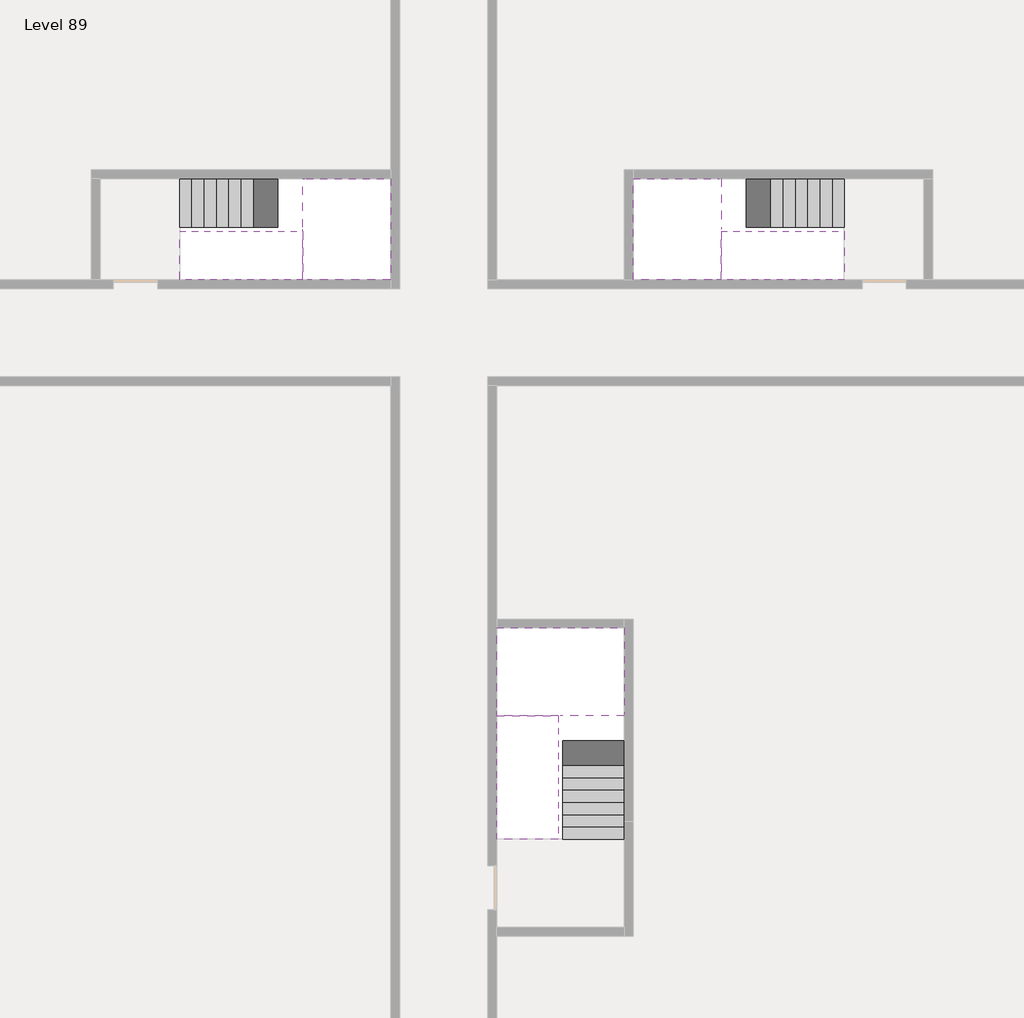
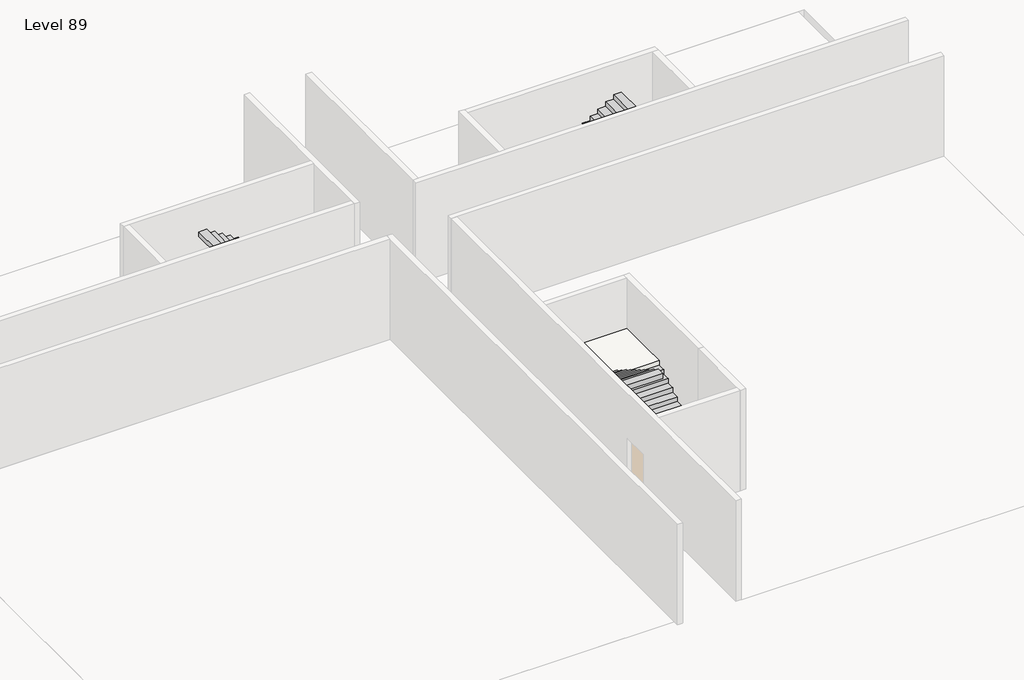
# One storey, part 2 of 2: 6 stair flights, 3 slabs.
"""IFC4 building model written with IfcOpenShell, lengths in millimetres."""

from ifc_helpers import new_model, si_unit, origin, place, context, project, spatial, faceted_brep, element, save

model = new_model("IFC4")

# Units and contexts
model_context = context("Model", 3, world=origin())
ifc_project = project(units=[si_unit("LENGTHUNIT", "METRE", prefix="MILLI")], contexts=[model_context])

# Site, building, storey
site = spatial("IfcSite", under=ifc_project)
building = spatial("IfcBuilding", under=site)
storey = spatial("IfcBuildingStorey", under=building, Name="Level 89", Elevation=334400.0)

# Slabs
placement = place(None, origin())
element("IfcSlab", 1, at=placement, inside=storey, context=model_context, shape_type="Brep", body=[
    faceted_brep([(26890.1058784, -40418.09644, 336300.0), (28290.1058784, -40418.09644, 336300.0), (28290.1058784, -40338.7100038, 336300.0), (28290.1058784, -38418.09644, 336300.0), (25390.1058784, -38418.09644, 336300.0), (25390.1058784, -40217.4828763, 336300.0), (25390.1058784, -40418.09644, 336300.0), (26790.1058784, -40418.09644, 336300.0), (26890.1058784, -40418.09644, 336000.0), (26890.1058784, -40418.09644, 335951.0278478), (28290.1058784, -40418.09644, 335951.0278478), (28290.1058784, -40418.09644, 336127.2727273), (28290.1058784, -40338.7100038, 336000.0), (28290.1058784, -38418.09644, 336000.0), (25390.1058784, -38418.09644, 336000.0), (25390.1058784, -40217.4828763, 336000.0), (25390.1058784, -40418.09644, 336123.7551205), (26790.1058784, -40418.09644, 336123.7551205), (26790.1058784, -40418.09644, 336000.0), (26790.1058784, -40217.4828763, 336000.0), (26890.1058784, -40338.7100038, 336000.0)], [[[0, 1, 2, 3, 4, 5, 6, 7]], [[1, 0, 8, 9, 10, 11]], [[1, 11, 10, 12, 13, 3, 2]], [[4, 3, 13, 14]], [[4, 14, 15, 16, 6, 5]], [[7, 6, 16, 17]], [[0, 7, 17, 18, 8]], [[18, 19, 15, 14, 13, 12, 20, 8]], [[19, 18, 17]], [[20, 12, 10, 9]], [[8, 20, 9]], [[15, 19, 17, 16]]]),
])
element("IfcSlab", 2, at=placement, inside=storey, context=model_context, shape_type="Brep", body=[
    faceted_brep([(20990.1058784, -28218.09644, 336300.0), (20990.1058784, -29318.09644, 336300.0), (20990.1058784, -29418.09644, 336300.0), (20990.1058784, -30518.09644, 336300.0), (21190.7194421, -30518.09644, 336300.0), (22990.1058784, -30518.09644, 336300.0), (22990.1058784, -28218.09644, 336300.0), (21069.4923146, -28218.09644, 336300.0), (20990.1058784, -28218.09644, 336127.2727273), (20990.1058784, -28218.09644, 335951.0278478), (20990.1058784, -29318.09644, 335951.0278478), (20990.1058784, -29318.09644, 336000.0), (20990.1058784, -29418.09644, 336000.0), (20990.1058784, -29418.09644, 336123.7551205), (20990.1058784, -30518.09644, 336123.7551205), (21190.7194421, -30518.09644, 336000.0), (22990.1058784, -30518.09644, 336000.0), (22990.1058784, -28218.09644, 336000.0), (21069.4923146, -28218.09644, 336000.0), (21190.7194421, -29418.09644, 336000.0), (21069.4923146, -29318.09644, 336000.0)], [[[0, 1, 2, 3, 4, 5, 6, 7]], [[1, 0, 8, 9, 10, 11]], [[2, 1, 11, 12, 13]], [[3, 2, 13, 14]], [[3, 14, 15, 16, 5, 4]], [[6, 5, 16, 17]], [[9, 8, 0, 7, 6, 17, 18]], [[19, 12, 11, 20, 18, 17, 16, 15]], [[12, 19, 13]], [[18, 20, 10, 9]], [[20, 11, 10]], [[19, 15, 14, 13]]]),
])
element("IfcSlab", 3, at=placement, inside=storey, context=model_context, shape_type="Brep", body=[
    faceted_brep([(30490.1058784, -29318.09644, 336300.0), (30490.1058784, -28218.09644, 336300.0), (30410.7194421, -28218.09644, 336300.0), (28490.1058784, -28218.09644, 336300.0), (28490.1058784, -30518.09644, 336300.0), (30289.4923146, -30518.09644, 336300.0), (30490.1058784, -30518.09644, 336300.0), (30490.1058784, -29418.09644, 336300.0), (30490.1058784, -29318.09644, 336000.0), (30490.1058784, -29318.09644, 335951.0278478), (30490.1058784, -28218.09644, 335951.0278478), (30490.1058784, -28218.09644, 336127.2727273), (30490.1058784, -29418.09644, 336123.7551205), (30490.1058784, -29418.09644, 336000.0), (30490.1058784, -30518.09644, 336123.7551205), (28490.1058784, -30518.09644, 336000.0), (30289.4923146, -30518.09644, 336000.0), (28490.1058784, -28218.09644, 336000.0), (30410.7194421, -28218.09644, 336000.0), (30289.4923146, -29418.09644, 336000.0), (30410.7194421, -29318.09644, 336000.0)], [[[0, 1, 2, 3, 4, 5, 6, 7]], [[1, 0, 8, 9, 10, 11]], [[0, 7, 12, 13, 8]], [[7, 6, 14, 12]], [[4, 15, 16, 14, 6, 5]], [[4, 3, 17, 15]], [[1, 11, 10, 18, 17, 3, 2]], [[13, 19, 16, 15, 17, 18, 20, 8]], [[20, 18, 10, 9]], [[8, 20, 9]], [[16, 19, 12, 14]], [[19, 13, 12]]]),
])

# Stair flights
element("IfcStairFlight", 4, at=placement, inside=storey, context=model_context, shape_type="Brep", body=[
    faceted_brep([(26890.1058784, -42938.09644, 334572.7272727), (26890.1058784, -43218.09644, 334572.7272727), (28290.1058784, -43218.09644, 334572.7272727), (28290.1058784, -42938.09644, 334572.7272727), (26890.1058784, -42938.09644, 334400.0), (26890.1058784, -43218.09644, 334400.0), (28290.1058784, -43218.09644, 334400.0), (28290.1058784, -42938.09644, 334400.0), (26890.1058784, -42658.09644, 334745.4545455), (26890.1058784, -42938.09644, 334745.4545455), (28290.1058784, -42938.09644, 334745.4545455), (28290.1058784, -42658.09644, 334745.4545455), (26890.1058784, -42658.09644, 334569.209666), (26890.1058784, -42932.3942143, 334400.0), (28290.1058784, -42932.3942143, 334400.0), (28290.1058784, -42658.09644, 334569.209666), (26890.1058784, -42378.09644, 334918.1818182), (26890.1058784, -42658.09644, 334918.1818182), (28290.1058784, -42658.09644, 334918.1818182), (28290.1058784, -42378.09644, 334918.1818182), (26890.1058784, -42378.09644, 334741.9369387), (28290.1058784, -42378.09644, 334741.9369387), (26890.1058784, -42098.09644, 335090.9090909), (26890.1058784, -42378.09644, 335090.9090909), (28290.1058784, -42378.09644, 335090.9090909), (28290.1058784, -42098.09644, 335090.9090909), (26890.1058784, -42098.09644, 334914.6642114), (28290.1058784, -42098.09644, 334914.6642114), (26890.1058784, -41818.09644, 335263.6363636), (26890.1058784, -42098.09644, 335263.6363636), (28290.1058784, -42098.09644, 335263.6363636), (28290.1058784, -41818.09644, 335263.6363636), (26890.1058784, -41818.09644, 335087.3914841), (28290.1058784, -41818.09644, 335087.3914841), (26890.1058784, -41538.09644, 335436.3636364), (26890.1058784, -41818.09644, 335436.3636364), (28290.1058784, -41818.09644, 335436.3636364), (28290.1058784, -41538.09644, 335436.3636364), (26890.1058784, -41538.09644, 335260.1187569), (28290.1058784, -41538.09644, 335260.1187569), (26890.1058784, -41258.09644, 335609.0909091), (26890.1058784, -41538.09644, 335609.0909091), (28290.1058784, -41538.09644, 335609.0909091), (28290.1058784, -41258.09644, 335609.0909091), (26890.1058784, -41258.09644, 335432.8460296), (28290.1058784, -41258.09644, 335432.8460296), (26890.1058784, -40978.09644, 335781.8181818), (26890.1058784, -41258.09644, 335781.8181818), (28290.1058784, -41258.09644, 335781.8181818), (28290.1058784, -40978.09644, 335781.8181818), (26890.1058784, -40978.09644, 335605.5733023), (28290.1058784, -40978.09644, 335605.5733023), (26890.1058784, -40698.09644, 335954.5454545), (26890.1058784, -40978.09644, 335954.5454545), (28290.1058784, -40978.09644, 335954.5454545), (28290.1058784, -40698.09644, 335954.5454545), (26890.1058784, -40698.09644, 335778.3005751), (28290.1058784, -40698.09644, 335778.3005751), (26890.1058784, -40418.09644, 336127.2727273), (26890.1058784, -40698.09644, 336127.2727273), (28290.1058784, -40698.09644, 336127.2727273), (28290.1058784, -40418.09644, 336127.2727273), (26890.1058784, -40418.09644, 336000.0), (26890.1058784, -40418.09644, 335951.0278478), (28290.1058784, -40418.09644, 335951.0278478)], [[[0, 1, 2, 3]], [[1, 0, 4, 5]], [[2, 1, 5, 6]], [[3, 2, 6, 7]], [[8, 9, 10, 11]], [[4, 0, 9, 8, 12, 13]], [[0, 3, 10, 9]], [[3, 7, 14, 15, 11, 10]], [[16, 17, 18, 19]], [[17, 16, 20, 12, 8]], [[8, 11, 18, 17]], [[19, 18, 11, 15, 21]], [[22, 23, 24, 25]], [[23, 22, 26, 20, 16]], [[16, 19, 24, 23]], [[25, 24, 19, 21, 27]], [[28, 29, 30, 31]], [[29, 28, 32, 26, 22]], [[22, 25, 30, 29]], [[31, 30, 25, 27, 33]], [[34, 35, 36, 37]], [[35, 34, 38, 32, 28]], [[28, 31, 36, 35]], [[37, 36, 31, 33, 39]], [[40, 41, 42, 43]], [[41, 40, 44, 38, 34]], [[34, 37, 42, 41]], [[43, 42, 37, 39, 45]], [[46, 47, 48, 49]], [[47, 46, 50, 44, 40]], [[40, 43, 48, 47]], [[49, 48, 43, 45, 51]], [[52, 53, 54, 55]], [[53, 52, 56, 50, 46]], [[46, 49, 54, 53]], [[55, 54, 49, 51, 57]], [[58, 59, 60, 61]], [[59, 58, 62, 63, 56, 52]], [[52, 55, 60, 59]], [[61, 60, 55, 57, 64]], [[58, 61, 64, 63, 62]], [[5, 4, 13, 14, 7, 6]], [[14, 13, 12, 20, 26, 32, 38, 44, 50, 56, 63, 64, 57, 51, 45, 39, 33, 27, 21, 15]]]),
])
element("IfcStairFlight", 5, at=placement, inside=storey, context=model_context, shape_type="Brep", body=[
    faceted_brep([(26790.1058784, -40698.09644, 336472.7272727), (26790.1058784, -40418.09644, 336472.7272727), (25390.1058784, -40418.09644, 336472.7272727), (25390.1058784, -40698.09644, 336472.7272727), (26790.1058784, -40698.09644, 336296.4823932), (26790.1058784, -40418.09644, 336123.7551205), (25390.1058784, -40418.09644, 336123.7551205), (25390.1058784, -40418.09644, 336300.0), (25390.1058784, -40698.09644, 336296.4823932), (26790.1058784, -40978.09644, 336645.4545455), (26790.1058784, -40698.09644, 336645.4545455), (25390.1058784, -40698.09644, 336645.4545455), (25390.1058784, -40978.09644, 336645.4545455), (26790.1058784, -40978.09644, 336469.209666), (25390.1058784, -40978.09644, 336469.209666), (26790.1058784, -41258.09644, 336818.1818182), (26790.1058784, -40978.09644, 336818.1818182), (25390.1058784, -40978.09644, 336818.1818182), (25390.1058784, -41258.09644, 336818.1818182), (26790.1058784, -41258.09644, 336641.9369387), (25390.1058784, -41258.09644, 336641.9369387), (26790.1058784, -41538.09644, 336990.9090909), (26790.1058784, -41258.09644, 336990.9090909), (25390.1058784, -41258.09644, 336990.9090909), (25390.1058784, -41538.09644, 336990.9090909), (26790.1058784, -41538.09644, 336814.6642114), (25390.1058784, -41538.09644, 336814.6642114), (26790.1058784, -41818.09644, 337163.6363636), (26790.1058784, -41538.09644, 337163.6363636), (25390.1058784, -41538.09644, 337163.6363636), (25390.1058784, -41818.09644, 337163.6363636), (26790.1058784, -41818.09644, 336987.3914841), (25390.1058784, -41818.09644, 336987.3914841), (26790.1058784, -42098.09644, 337336.3636364), (26790.1058784, -41818.09644, 337336.3636364), (25390.1058784, -41818.09644, 337336.3636364), (25390.1058784, -42098.09644, 337336.3636364), (26790.1058784, -42098.09644, 337160.1187569), (25390.1058784, -42098.09644, 337160.1187569), (26790.1058784, -42378.09644, 337509.0909091), (26790.1058784, -42098.09644, 337509.0909091), (25390.1058784, -42098.09644, 337509.0909091), (25390.1058784, -42378.09644, 337509.0909091), (26790.1058784, -42378.09644, 337332.8460296), (25390.1058784, -42378.09644, 337332.8460296), (26790.1058784, -42658.09644, 337681.8181818), (26790.1058784, -42378.09644, 337681.8181818), (25390.1058784, -42378.09644, 337681.8181818), (25390.1058784, -42658.09644, 337681.8181818), (26790.1058784, -42658.09644, 337505.5733023), (25390.1058784, -42658.09644, 337505.5733023), (26790.1058784, -42938.09644, 337854.5454545), (26790.1058784, -42658.09644, 337854.5454545), (25390.1058784, -42658.09644, 337854.5454545), (25390.1058784, -42938.09644, 337854.5454545), (26790.1058784, -42938.09644, 337678.3005751), (25390.1058784, -42938.09644, 337678.3005751), (26790.1058784, -43218.09644, 338027.2727273), (26790.1058784, -42938.09644, 338027.2727273), (25390.1058784, -42938.09644, 338027.2727273), (25390.1058784, -43218.09644, 338027.2727273), (26790.1058784, -43218.09644, 337851.0278478), (25390.1058784, -43218.09644, 337851.0278478)], [[[0, 1, 2, 3]], [[1, 0, 4, 5]], [[2, 1, 5, 6, 7]], [[3, 2, 7, 6, 8]], [[9, 10, 11, 12]], [[10, 9, 13, 4, 0]], [[11, 10, 0, 3]], [[12, 11, 3, 8, 14]], [[15, 16, 17, 18]], [[16, 15, 19, 13, 9]], [[17, 16, 9, 12]], [[18, 17, 12, 14, 20]], [[21, 22, 23, 24]], [[22, 21, 25, 19, 15]], [[23, 22, 15, 18]], [[24, 23, 18, 20, 26]], [[27, 28, 29, 30]], [[28, 27, 31, 25, 21]], [[29, 28, 21, 24]], [[30, 29, 24, 26, 32]], [[33, 34, 35, 36]], [[34, 33, 37, 31, 27]], [[35, 34, 27, 30]], [[36, 35, 30, 32, 38]], [[39, 40, 41, 42]], [[40, 39, 43, 37, 33]], [[41, 40, 33, 36]], [[42, 41, 36, 38, 44]], [[45, 46, 47, 48]], [[46, 45, 49, 43, 39]], [[47, 46, 39, 42]], [[48, 47, 42, 44, 50]], [[51, 52, 53, 54]], [[52, 51, 55, 49, 45]], [[53, 52, 45, 48]], [[54, 53, 48, 50, 56]], [[57, 58, 59, 60]], [[58, 57, 61, 55, 51]], [[59, 58, 51, 54]], [[60, 59, 54, 56, 62]], [[57, 60, 62, 61]], [[5, 4, 13, 19, 25, 31, 37, 43, 49, 55, 61, 62, 56, 50, 44, 38, 32, 26, 20, 14, 8, 6]]]),
])
element("IfcStairFlight", 6, at=placement, inside=storey, context=model_context, shape_type="Brep", body=[
    faceted_brep([(18470.1058784, -28218.09644, 334572.7272727), (18190.1058784, -28218.09644, 334572.7272727), (18190.1058784, -29318.09644, 334572.7272727), (18470.1058784, -29318.09644, 334572.7272727), (18470.1058784, -28218.09644, 334400.0), (18190.1058784, -28218.09644, 334400.0), (18190.1058784, -29318.09644, 334400.0), (18470.1058784, -29318.09644, 334400.0), (18750.1058784, -28218.09644, 334745.4545455), (18470.1058784, -28218.09644, 334745.4545455), (18470.1058784, -29318.09644, 334745.4545455), (18750.1058784, -29318.09644, 334745.4545455), (18750.1058784, -28218.09644, 334569.209666), (18475.8081041, -28218.09644, 334400.0), (18475.8081041, -29318.09644, 334400.0), (18750.1058784, -29318.09644, 334569.209666), (19030.1058784, -28218.09644, 334918.1818182), (18750.1058784, -28218.09644, 334918.1818182), (18750.1058784, -29318.09644, 334918.1818182), (19030.1058784, -29318.09644, 334918.1818182), (19030.1058784, -28218.09644, 334741.9369387), (19030.1058784, -29318.09644, 334741.9369387), (19310.1058784, -28218.09644, 335090.9090909), (19030.1058784, -28218.09644, 335090.9090909), (19030.1058784, -29318.09644, 335090.9090909), (19310.1058784, -29318.09644, 335090.9090909), (19310.1058784, -28218.09644, 334914.6642114), (19310.1058784, -29318.09644, 334914.6642114), (19590.1058784, -28218.09644, 335263.6363636), (19310.1058784, -28218.09644, 335263.6363636), (19310.1058784, -29318.09644, 335263.6363636), (19590.1058784, -29318.09644, 335263.6363636), (19590.1058784, -28218.09644, 335087.3914841), (19590.1058784, -29318.09644, 335087.3914841), (19870.1058784, -28218.09644, 335436.3636364), (19590.1058784, -28218.09644, 335436.3636364), (19590.1058784, -29318.09644, 335436.3636364), (19870.1058784, -29318.09644, 335436.3636364), (19870.1058784, -28218.09644, 335260.1187569), (19870.1058784, -29318.09644, 335260.1187569), (20150.1058784, -28218.09644, 335609.0909091), (19870.1058784, -28218.09644, 335609.0909091), (19870.1058784, -29318.09644, 335609.0909091), (20150.1058784, -29318.09644, 335609.0909091), (20150.1058784, -28218.09644, 335432.8460296), (20150.1058784, -29318.09644, 335432.8460296), (20430.1058784, -28218.09644, 335781.8181818), (20150.1058784, -28218.09644, 335781.8181818), (20150.1058784, -29318.09644, 335781.8181818), (20430.1058784, -29318.09644, 335781.8181818), (20430.1058784, -28218.09644, 335605.5733023), (20430.1058784, -29318.09644, 335605.5733023), (20710.1058784, -28218.09644, 335954.5454545), (20430.1058784, -28218.09644, 335954.5454545), (20430.1058784, -29318.09644, 335954.5454545), (20710.1058784, -29318.09644, 335954.5454545), (20710.1058784, -28218.09644, 335778.3005751), (20710.1058784, -29318.09644, 335778.3005751), (20990.1058784, -28218.09644, 336127.2727273), (20710.1058784, -28218.09644, 336127.2727273), (20710.1058784, -29318.09644, 336127.2727273), (20990.1058784, -29318.09644, 336127.2727273), (20990.1058784, -28218.09644, 335951.0278478), (20990.1058784, -29318.09644, 335951.0278478), (20990.1058784, -29318.09644, 336000.0)], [[[0, 1, 2, 3]], [[1, 0, 4, 5]], [[2, 1, 5, 6]], [[3, 2, 6, 7]], [[8, 9, 10, 11]], [[4, 0, 9, 8, 12, 13]], [[0, 3, 10, 9]], [[3, 7, 14, 15, 11, 10]], [[16, 17, 18, 19]], [[17, 16, 20, 12, 8]], [[8, 11, 18, 17]], [[19, 18, 11, 15, 21]], [[22, 23, 24, 25]], [[23, 22, 26, 20, 16]], [[16, 19, 24, 23]], [[25, 24, 19, 21, 27]], [[28, 29, 30, 31]], [[29, 28, 32, 26, 22]], [[22, 25, 30, 29]], [[31, 30, 25, 27, 33]], [[34, 35, 36, 37]], [[35, 34, 38, 32, 28]], [[28, 31, 36, 35]], [[37, 36, 31, 33, 39]], [[40, 41, 42, 43]], [[41, 40, 44, 38, 34]], [[34, 37, 42, 41]], [[43, 42, 37, 39, 45]], [[46, 47, 48, 49]], [[47, 46, 50, 44, 40]], [[40, 43, 48, 47]], [[49, 48, 43, 45, 51]], [[52, 53, 54, 55]], [[53, 52, 56, 50, 46]], [[46, 49, 54, 53]], [[55, 54, 49, 51, 57]], [[58, 59, 60, 61]], [[59, 58, 62, 56, 52]], [[52, 55, 60, 59]], [[61, 60, 55, 57, 63, 64]], [[58, 61, 64, 63, 62]], [[5, 4, 13, 14, 7, 6]], [[14, 13, 12, 20, 26, 32, 38, 44, 50, 56, 62, 63, 57, 51, 45, 39, 33, 27, 21, 15]]]),
])
element("IfcStairFlight", 7, at=placement, inside=storey, context=model_context, shape_type="Brep", body=[
    faceted_brep([(20710.1058784, -30518.09644, 336472.7272727), (20990.1058784, -30518.09644, 336472.7272727), (20990.1058784, -29418.09644, 336472.7272727), (20710.1058784, -29418.09644, 336472.7272727), (20710.1058784, -30518.09644, 336296.4823932), (20990.1058784, -30518.09644, 336123.7551205), (20990.1058784, -30518.09644, 336300.0), (20990.1058784, -29418.09644, 336123.7551205), (20710.1058784, -29418.09644, 336296.4823932), (20430.1058784, -30518.09644, 336645.4545455), (20710.1058784, -30518.09644, 336645.4545455), (20710.1058784, -29418.09644, 336645.4545455), (20430.1058784, -29418.09644, 336645.4545455), (20430.1058784, -30518.09644, 336469.209666), (20430.1058784, -29418.09644, 336469.209666), (20150.1058784, -30518.09644, 336818.1818182), (20430.1058784, -30518.09644, 336818.1818182), (20430.1058784, -29418.09644, 336818.1818182), (20150.1058784, -29418.09644, 336818.1818182), (20150.1058784, -30518.09644, 336641.9369387), (20150.1058784, -29418.09644, 336641.9369387), (19870.1058784, -30518.09644, 336990.9090909), (20150.1058784, -30518.09644, 336990.9090909), (20150.1058784, -29418.09644, 336990.9090909), (19870.1058784, -29418.09644, 336990.9090909), (19870.1058784, -30518.09644, 336814.6642114), (19870.1058784, -29418.09644, 336814.6642114), (19590.1058784, -30518.09644, 337163.6363636), (19870.1058784, -30518.09644, 337163.6363636), (19870.1058784, -29418.09644, 337163.6363636), (19590.1058784, -29418.09644, 337163.6363636), (19590.1058784, -30518.09644, 336987.3914841), (19590.1058784, -29418.09644, 336987.3914841), (19310.1058784, -30518.09644, 337336.3636364), (19590.1058784, -30518.09644, 337336.3636364), (19590.1058784, -29418.09644, 337336.3636364), (19310.1058784, -29418.09644, 337336.3636364), (19310.1058784, -30518.09644, 337160.1187569), (19310.1058784, -29418.09644, 337160.1187569), (19030.1058784, -30518.09644, 337509.0909091), (19310.1058784, -30518.09644, 337509.0909091), (19310.1058784, -29418.09644, 337509.0909091), (19030.1058784, -29418.09644, 337509.0909091), (19030.1058784, -30518.09644, 337332.8460296), (19030.1058784, -29418.09644, 337332.8460296), (18750.1058784, -30518.09644, 337681.8181818), (19030.1058784, -30518.09644, 337681.8181818), (19030.1058784, -29418.09644, 337681.8181818), (18750.1058784, -29418.09644, 337681.8181818), (18750.1058784, -30518.09644, 337505.5733023), (18750.1058784, -29418.09644, 337505.5733023), (18470.1058784, -30518.09644, 337854.5454545), (18750.1058784, -30518.09644, 337854.5454545), (18750.1058784, -29418.09644, 337854.5454545), (18470.1058784, -29418.09644, 337854.5454545), (18470.1058784, -30518.09644, 337678.3005751), (18470.1058784, -29418.09644, 337678.3005751), (18190.1058784, -30518.09644, 338027.2727273), (18470.1058784, -30518.09644, 338027.2727273), (18470.1058784, -29418.09644, 338027.2727273), (18190.1058784, -29418.09644, 338027.2727273), (18190.1058784, -30518.09644, 337851.0278478), (18190.1058784, -29418.09644, 337851.0278478)], [[[0, 1, 2, 3]], [[1, 0, 4, 5, 6]], [[2, 1, 6, 5, 7]], [[3, 2, 7, 8]], [[9, 10, 11, 12]], [[10, 9, 13, 4, 0]], [[11, 10, 0, 3]], [[12, 11, 3, 8, 14]], [[15, 16, 17, 18]], [[16, 15, 19, 13, 9]], [[17, 16, 9, 12]], [[18, 17, 12, 14, 20]], [[21, 22, 23, 24]], [[22, 21, 25, 19, 15]], [[23, 22, 15, 18]], [[24, 23, 18, 20, 26]], [[27, 28, 29, 30]], [[28, 27, 31, 25, 21]], [[29, 28, 21, 24]], [[30, 29, 24, 26, 32]], [[33, 34, 35, 36]], [[34, 33, 37, 31, 27]], [[35, 34, 27, 30]], [[36, 35, 30, 32, 38]], [[39, 40, 41, 42]], [[40, 39, 43, 37, 33]], [[41, 40, 33, 36]], [[42, 41, 36, 38, 44]], [[45, 46, 47, 48]], [[46, 45, 49, 43, 39]], [[47, 46, 39, 42]], [[48, 47, 42, 44, 50]], [[51, 52, 53, 54]], [[52, 51, 55, 49, 45]], [[53, 52, 45, 48]], [[54, 53, 48, 50, 56]], [[57, 58, 59, 60]], [[58, 57, 61, 55, 51]], [[59, 58, 51, 54]], [[60, 59, 54, 56, 62]], [[57, 60, 62, 61]], [[5, 4, 13, 19, 25, 31, 37, 43, 49, 55, 61, 62, 56, 50, 44, 38, 32, 26, 20, 14, 8, 7]]]),
])
element("IfcStairFlight", 8, at=placement, inside=storey, context=model_context, shape_type="Brep", body=[
    faceted_brep([(33010.1058784, -29318.09644, 334572.7272727), (33290.1058784, -29318.09644, 334572.7272727), (33290.1058784, -28218.09644, 334572.7272727), (33010.1058784, -28218.09644, 334572.7272727), (33290.1058784, -28218.09644, 334400.0), (33010.1058784, -28218.09644, 334400.0), (33290.1058784, -29318.09644, 334400.0), (33010.1058784, -29318.09644, 334400.0), (32730.1058784, -29318.09644, 334745.4545455), (33010.1058784, -29318.09644, 334745.4545455), (33010.1058784, -28218.09644, 334745.4545455), (32730.1058784, -28218.09644, 334745.4545455), (33004.4036527, -28218.09644, 334400.0), (32730.1058784, -28218.09644, 334569.209666), (32730.1058784, -29318.09644, 334569.209666), (33004.4036527, -29318.09644, 334400.0), (32450.1058784, -29318.09644, 334918.1818182), (32730.1058784, -29318.09644, 334918.1818182), (32730.1058784, -28218.09644, 334918.1818182), (32450.1058784, -28218.09644, 334918.1818182), (32450.1058784, -28218.09644, 334741.9369387), (32450.1058784, -29318.09644, 334741.9369387), (32170.1058784, -29318.09644, 335090.9090909), (32450.1058784, -29318.09644, 335090.9090909), (32450.1058784, -28218.09644, 335090.9090909), (32170.1058784, -28218.09644, 335090.9090909), (32170.1058784, -28218.09644, 334914.6642114), (32170.1058784, -29318.09644, 334914.6642114), (31890.1058784, -29318.09644, 335263.6363636), (32170.1058784, -29318.09644, 335263.6363636), (32170.1058784, -28218.09644, 335263.6363636), (31890.1058784, -28218.09644, 335263.6363636), (31890.1058784, -28218.09644, 335087.3914841), (31890.1058784, -29318.09644, 335087.3914841), (31610.1058784, -29318.09644, 335436.3636364), (31890.1058784, -29318.09644, 335436.3636364), (31890.1058784, -28218.09644, 335436.3636364), (31610.1058784, -28218.09644, 335436.3636364), (31610.1058784, -28218.09644, 335260.1187569), (31610.1058784, -29318.09644, 335260.1187569), (31330.1058784, -29318.09644, 335609.0909091), (31610.1058784, -29318.09644, 335609.0909091), (31610.1058784, -28218.09644, 335609.0909091), (31330.1058784, -28218.09644, 335609.0909091), (31330.1058784, -28218.09644, 335432.8460296), (31330.1058784, -29318.09644, 335432.8460296), (31050.1058784, -29318.09644, 335781.8181818), (31330.1058784, -29318.09644, 335781.8181818), (31330.1058784, -28218.09644, 335781.8181818), (31050.1058784, -28218.09644, 335781.8181818), (31050.1058784, -28218.09644, 335605.5733023), (31050.1058784, -29318.09644, 335605.5733023), (30770.1058784, -29318.09644, 335954.5454545), (31050.1058784, -29318.09644, 335954.5454545), (31050.1058784, -28218.09644, 335954.5454545), (30770.1058784, -28218.09644, 335954.5454545), (30770.1058784, -28218.09644, 335778.3005751), (30770.1058784, -29318.09644, 335778.3005751), (30490.1058784, -29318.09644, 336127.2727273), (30770.1058784, -29318.09644, 336127.2727273), (30770.1058784, -28218.09644, 336127.2727273), (30490.1058784, -28218.09644, 336127.2727273), (30490.1058784, -28218.09644, 335951.0278478), (30490.1058784, -29318.09644, 336000.0), (30490.1058784, -29318.09644, 335951.0278478)], [[[0, 1, 2, 3]], [[3, 2, 4, 5]], [[2, 1, 6, 4]], [[1, 0, 7, 6]], [[8, 9, 10, 11]], [[3, 5, 12, 13, 11, 10]], [[0, 3, 10, 9]], [[7, 0, 9, 8, 14, 15]], [[16, 17, 18, 19]], [[19, 18, 11, 13, 20]], [[8, 11, 18, 17]], [[17, 16, 21, 14, 8]], [[22, 23, 24, 25]], [[25, 24, 19, 20, 26]], [[16, 19, 24, 23]], [[23, 22, 27, 21, 16]], [[28, 29, 30, 31]], [[31, 30, 25, 26, 32]], [[22, 25, 30, 29]], [[29, 28, 33, 27, 22]], [[34, 35, 36, 37]], [[37, 36, 31, 32, 38]], [[28, 31, 36, 35]], [[35, 34, 39, 33, 28]], [[40, 41, 42, 43]], [[43, 42, 37, 38, 44]], [[34, 37, 42, 41]], [[41, 40, 45, 39, 34]], [[46, 47, 48, 49]], [[49, 48, 43, 44, 50]], [[40, 43, 48, 47]], [[47, 46, 51, 45, 40]], [[52, 53, 54, 55]], [[55, 54, 49, 50, 56]], [[46, 49, 54, 53]], [[53, 52, 57, 51, 46]], [[58, 59, 60, 61]], [[61, 60, 55, 56, 62]], [[52, 55, 60, 59]], [[59, 58, 63, 64, 57, 52]], [[58, 61, 62, 64, 63]], [[6, 7, 15, 12, 5, 4]], [[12, 15, 14, 21, 27, 33, 39, 45, 51, 57, 64, 62, 56, 50, 44, 38, 32, 26, 20, 13]]]),
])
element("IfcStairFlight", 9, at=placement, inside=storey, context=model_context, shape_type="Brep", body=[
    faceted_brep([(30770.1058784, -29418.09644, 336472.7272727), (30490.1058784, -29418.09644, 336472.7272727), (30490.1058784, -30518.09644, 336472.7272727), (30770.1058784, -30518.09644, 336472.7272727), (30490.1058784, -30518.09644, 336300.0), (30490.1058784, -30518.09644, 336123.7551205), (30770.1058784, -30518.09644, 336296.4823932), (30490.1058784, -29418.09644, 336123.7551205), (30770.1058784, -29418.09644, 336296.4823932), (31050.1058784, -29418.09644, 336645.4545455), (30770.1058784, -29418.09644, 336645.4545455), (30770.1058784, -30518.09644, 336645.4545455), (31050.1058784, -30518.09644, 336645.4545455), (31050.1058784, -30518.09644, 336469.209666), (31050.1058784, -29418.09644, 336469.209666), (31330.1058784, -29418.09644, 336818.1818182), (31050.1058784, -29418.09644, 336818.1818182), (31050.1058784, -30518.09644, 336818.1818182), (31330.1058784, -30518.09644, 336818.1818182), (31330.1058784, -30518.09644, 336641.9369387), (31330.1058784, -29418.09644, 336641.9369387), (31610.1058784, -29418.09644, 336990.9090909), (31330.1058784, -29418.09644, 336990.9090909), (31330.1058784, -30518.09644, 336990.9090909), (31610.1058784, -30518.09644, 336990.9090909), (31610.1058784, -30518.09644, 336814.6642114), (31610.1058784, -29418.09644, 336814.6642114), (31890.1058784, -29418.09644, 337163.6363636), (31610.1058784, -29418.09644, 337163.6363636), (31610.1058784, -30518.09644, 337163.6363636), (31890.1058784, -30518.09644, 337163.6363636), (31890.1058784, -30518.09644, 336987.3914841), (31890.1058784, -29418.09644, 336987.3914841), (32170.1058784, -29418.09644, 337336.3636364), (31890.1058784, -29418.09644, 337336.3636364), (31890.1058784, -30518.09644, 337336.3636364), (32170.1058784, -30518.09644, 337336.3636364), (32170.1058784, -30518.09644, 337160.1187569), (32170.1058784, -29418.09644, 337160.1187569), (32450.1058784, -29418.09644, 337509.0909091), (32170.1058784, -29418.09644, 337509.0909091), (32170.1058784, -30518.09644, 337509.0909091), (32450.1058784, -30518.09644, 337509.0909091), (32450.1058784, -30518.09644, 337332.8460296), (32450.1058784, -29418.09644, 337332.8460296), (32730.1058784, -29418.09644, 337681.8181818), (32450.1058784, -29418.09644, 337681.8181818), (32450.1058784, -30518.09644, 337681.8181818), (32730.1058784, -30518.09644, 337681.8181818), (32730.1058784, -30518.09644, 337505.5733023), (32730.1058784, -29418.09644, 337505.5733023), (33010.1058784, -29418.09644, 337854.5454545), (32730.1058784, -29418.09644, 337854.5454545), (32730.1058784, -30518.09644, 337854.5454545), (33010.1058784, -30518.09644, 337854.5454545), (33010.1058784, -30518.09644, 337678.3005751), (33010.1058784, -29418.09644, 337678.3005751), (33290.1058784, -29418.09644, 338027.2727273), (33010.1058784, -29418.09644, 338027.2727273), (33010.1058784, -30518.09644, 338027.2727273), (33290.1058784, -30518.09644, 338027.2727273), (33290.1058784, -30518.09644, 337851.0278478), (33290.1058784, -29418.09644, 337851.0278478)], [[[0, 1, 2, 3]], [[3, 2, 4, 5, 6]], [[2, 1, 7, 5, 4]], [[1, 0, 8, 7]], [[9, 10, 11, 12]], [[12, 11, 3, 6, 13]], [[11, 10, 0, 3]], [[10, 9, 14, 8, 0]], [[15, 16, 17, 18]], [[18, 17, 12, 13, 19]], [[17, 16, 9, 12]], [[16, 15, 20, 14, 9]], [[21, 22, 23, 24]], [[24, 23, 18, 19, 25]], [[23, 22, 15, 18]], [[22, 21, 26, 20, 15]], [[27, 28, 29, 30]], [[30, 29, 24, 25, 31]], [[29, 28, 21, 24]], [[28, 27, 32, 26, 21]], [[33, 34, 35, 36]], [[36, 35, 30, 31, 37]], [[35, 34, 27, 30]], [[34, 33, 38, 32, 27]], [[39, 40, 41, 42]], [[42, 41, 36, 37, 43]], [[41, 40, 33, 36]], [[40, 39, 44, 38, 33]], [[45, 46, 47, 48]], [[48, 47, 42, 43, 49]], [[47, 46, 39, 42]], [[46, 45, 50, 44, 39]], [[51, 52, 53, 54]], [[54, 53, 48, 49, 55]], [[53, 52, 45, 48]], [[52, 51, 56, 50, 45]], [[57, 58, 59, 60]], [[60, 59, 54, 55, 61]], [[59, 58, 51, 54]], [[58, 57, 62, 56, 51]], [[57, 60, 61, 62]], [[7, 8, 14, 20, 26, 32, 38, 44, 50, 56, 62, 61, 55, 49, 43, 37, 31, 25, 19, 13, 6, 5]]]),
])

save(model, "model.ifc")
